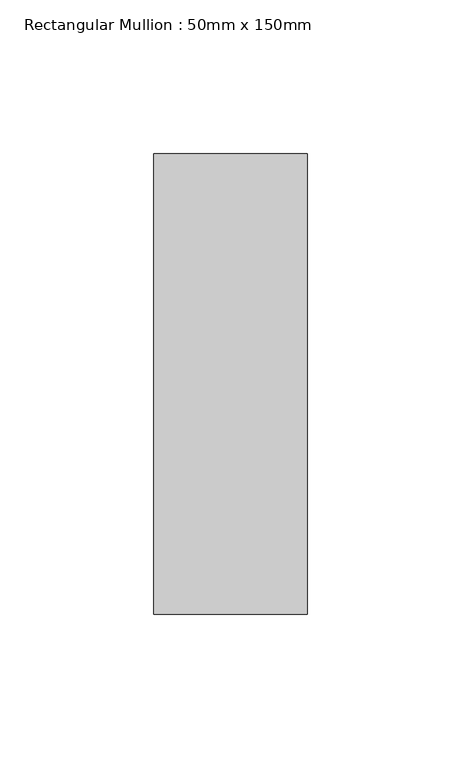
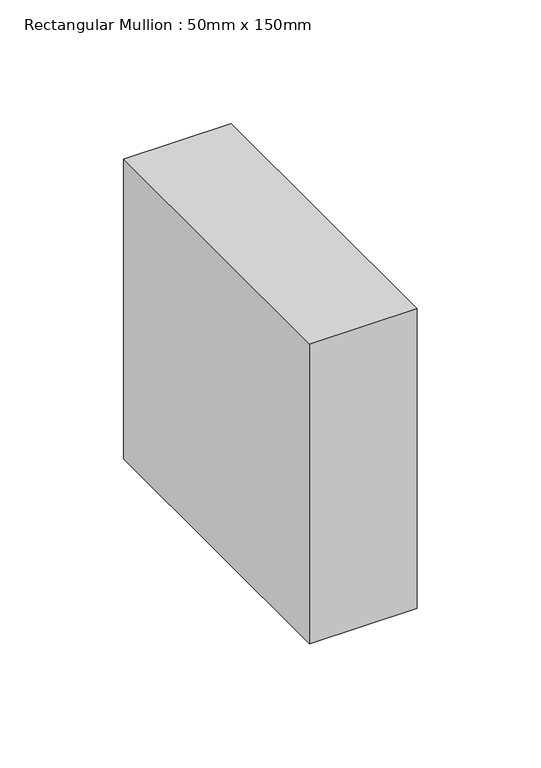
"""IFC4 building model written with IfcOpenShell, lengths in millimetres: member geometry, Rectangular Mullion : 50mm x 150mm."""

from ifc_helpers import new_model, si_unit, frame, origin, place, context, project, spatial, polyline, outline, extrude, source, transform, mapped, element, save


def rectangular_mullion_50mm_x_150mm_53041952(model_context):
    return source(origin(), model_context, "Body", "SweptSolid", [
        extrude(outline(polyline([(25.0, 75.0), (25.0, -75.0), (-25.0, -75.0), (-25.0, 75.0), (25.0, 75.0)])), frame((0.0, 0.0, -147.7708788), z_axis=(0.0, 0.0, 1.0), x_axis=(1.0, 0.0, 0.0)), (0.0, 0.0, 1.0), 147.7708788),
    ])


if __name__ == "__main__":
    model = new_model("IFC4")
    model_context = context("Model", 3, world=origin())
    ifc_project = project(units=[si_unit("LENGTHUNIT", "METRE", prefix="MILLI")], contexts=[model_context])
    site = spatial("IfcSite", under=ifc_project)
    building = spatial("IfcBuilding", under=site)
    placement = place(None, origin())
    rectangular_mullion_50mm_x_150mm_shape = rectangular_mullion_50mm_x_150mm_53041952(model_context)
    element("IfcMember", 1, ObjectType="Rectangular Mullion : 50mm x 150mm", at=placement, inside=building, context=model_context, shape_type="MappedRepresentation", body=[
        mapped(rectangular_mullion_50mm_x_150mm_shape, transform((0.0, 0.0, 0.0), x_axis=(1.0, 0.0, 0.0), y_axis=(0.0, 1.0, 0.0), z_axis=(0.0, 0.0, 1.0))),
    ])
    save(model, "model.ifc")
